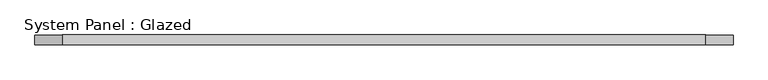
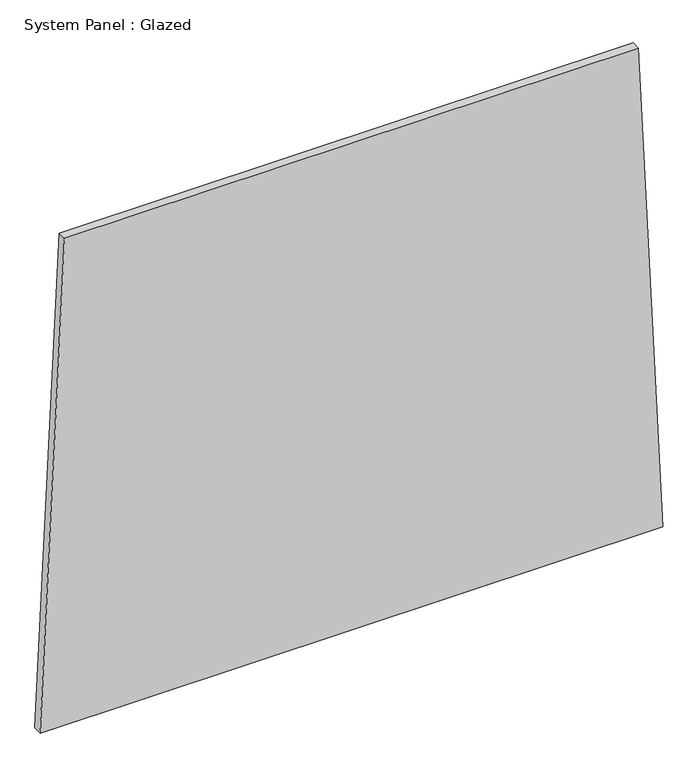
"""IFC4 building model written with IfcOpenShell, lengths in millimetres: plate geometry, System Panel : Glazed."""

from ifc_helpers import new_model, si_unit, frame, origin, place, context, project, spatial, polyline, outline, extrude, source, transform, mapped, element, save


def system_panel_glazed_9b4eba6b(model_context):
    return source(origin(), model_context, "Body", "SweptSolid", [
        extrude(outline(polyline([(0.0, -876.0387733), (0.0, 876.0387733), (1448.3298089, 807.6385084), (1448.329695, -807.6312944), (0.0, -876.0387733)])), frame((0.0, -49.5, 0.0), z_axis=(0.0, 1.0, 0.0), x_axis=(0.0, 0.0, 1.0)), (0.0, 0.0, 1.0), 25.0),
    ])


if __name__ == "__main__":
    model = new_model("IFC4")
    model_context = context("Model", 3, world=origin())
    ifc_project = project(units=[si_unit("LENGTHUNIT", "METRE", prefix="MILLI")], contexts=[model_context])
    site = spatial("IfcSite", under=ifc_project)
    building = spatial("IfcBuilding", under=site)
    placement = place(None, origin())
    system_panel_glazed_shape = system_panel_glazed_9b4eba6b(model_context)
    element("IfcPlate", 1, ObjectType="System Panel : Glazed", at=placement, inside=building, context=model_context, shape_type="MappedRepresentation", body=[
        mapped(system_panel_glazed_shape, transform((0.0, 0.0, 0.0), x_axis=(1.0, 0.0, 0.0), y_axis=(0.0, 1.0, 0.0), z_axis=(0.0, 0.0, 1.0))),
    ])
    save(model, "model.ifc")
